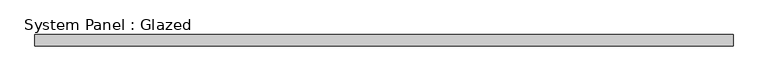
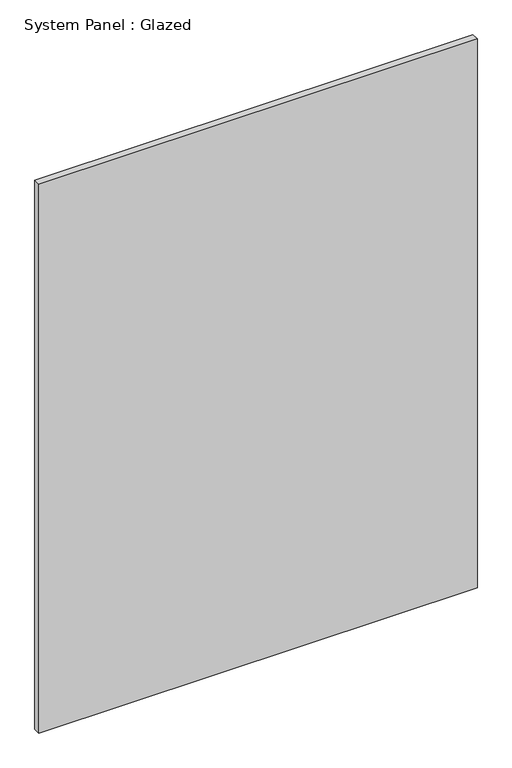
"""IFC4 building model written with IfcOpenShell, lengths in millimetres: plate geometry, System Panel : Glazed."""

from ifc_helpers import new_model, si_unit, origin, origin_with_axes, place, context, project, spatial, polyline, outline, extrude, source, transform, mapped, element, save


def system_panel_glazed_b78cd506(model_context):
    return source(origin(), model_context, "Body", "SweptSolid", [
        extrude(outline(polyline([(774.5209386, -49.5), (-774.5209386, -49.5), (-774.5209386, -24.5), (774.5209386, -24.5), (774.5209386, -49.5)])), origin_with_axes(), (0.0, 0.0, 1.0), 2050.0),
    ])


if __name__ == "__main__":
    model = new_model("IFC4")
    model_context = context("Model", 3, world=origin())
    ifc_project = project(units=[si_unit("LENGTHUNIT", "METRE", prefix="MILLI")], contexts=[model_context])
    site = spatial("IfcSite", under=ifc_project)
    building = spatial("IfcBuilding", under=site)
    placement = place(None, origin())
    system_panel_glazed_shape = system_panel_glazed_b78cd506(model_context)
    element("IfcPlate", 1, ObjectType="System Panel : Glazed", at=placement, inside=building, context=model_context, shape_type="MappedRepresentation", body=[
        mapped(system_panel_glazed_shape, transform((0.0, 0.0, 0.0), x_axis=(1.0, 0.0, 0.0), y_axis=(0.0, 1.0, 0.0), z_axis=(0.0, 0.0, 1.0))),
    ])
    save(model, "model.ifc")
